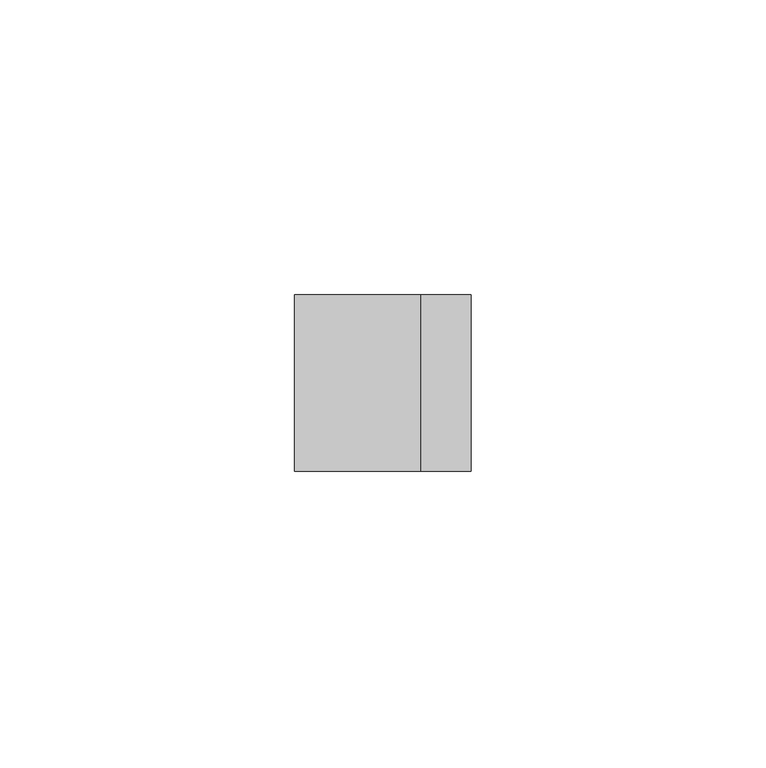
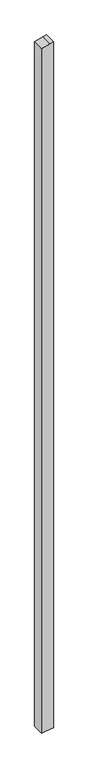
"""IFC4 building model written with IfcOpenShell, lengths in millimetres: member geometry."""

import ifcopenshell
import ifcopenshell.guid

model = None  # the IFC model being written
_history = None  # IfcOwnerHistory: only IFC2X3 demands one
_inside = {}  # id of a spatial element -> (the spatial element, [elements in it])
_under = {}  # id of a project, library or spatial element -> (it, [spatial elements below it])
_declared = {}  # id of a project -> (the project, [libraries it declares])
_typed = {}  # id of a type object -> (the type object, [elements of that type])
_made_of = {}  # id of a material, layer set ... -> (it, [elements and type objects made of it])


def new_model(schema):
    """Start an empty IFC model of exactly this schema.

    Asked for "IFC4X3", IfcOpenShell would pick the latest addendum, in which some entities
    have other attributes; the version numbers below select the first issue.
    IFC2X3 requires an IfcOwnerHistory on every rooted entity: one is made here for all.
    """
    global model, _history
    if schema == "IFC4X3":
        model = ifcopenshell.file(schema_version=(4, 3, 0, 0))
    else:
        model = ifcopenshell.file(schema=schema)
    _inside.clear()
    _under.clear()
    _declared.clear()
    _typed.clear()
    _made_of.clear()
    _history = None
    if model.schema == "IFC2X3":
        org = make("IfcOrganization", Name="unknown")
        user = make(
            "IfcPersonAndOrganization",
            ThePerson=make("IfcPerson", FamilyName="unknown"),
            TheOrganization=org,
        )
        app = make(
            "IfcApplication",
            ApplicationDeveloper=org,
            Version="unknown",
            ApplicationFullName="unknown",
            ApplicationIdentifier="unknown",
        )
        _history = make(
            "IfcOwnerHistory",
            OwningUser=user,
            OwningApplication=app,
            ChangeAction="ADDED",
            CreationDate=0,
        )
    return model


def make(cls, **values):
    """One entity of the class cls with the attributes given. An attribute that is None is left unset."""
    return model.create_entity(
        cls, **{name: value for name, value in values.items() if value is not None}
    )


def rooted(cls, **values):
    """An entity with a GlobalId (a new one), such as an element, a storey or a relation."""
    return make(cls, GlobalId=ifcopenshell.guid.new(), OwnerHistory=_history, **values)


def si_unit(unit_type, name, prefix=None):
    """IfcSIUnit, for example si_unit("LENGTHUNIT", "METRE", prefix="MILLI")."""
    return make("IfcSIUnit", UnitType=unit_type, Prefix=prefix, Name=name)


def assignment(units):
    """IfcUnitAssignment: the units of a project."""
    return None if units is None else make("IfcUnitAssignment", Units=units)


def point(xyz):
    """IfcCartesianPoint."""
    return None if xyz is None else make("IfcCartesianPoint", Coordinates=xyz)


def direction(xyz):
    """IfcDirection."""
    return None if xyz is None else make("IfcDirection", DirectionRatios=xyz)


def frame(location, z_axis=None, x_axis=None):
    """IfcAxis2Placement3D, a coordinate frame: its origin and axes. An axis left out is left unset."""
    return make(
        "IfcAxis2Placement3D",
        Location=point(location),
        Axis=direction(z_axis),
        RefDirection=direction(x_axis),
    )


def origin():
    """The frame at (0, 0, 0) with its axes left unset."""
    return frame((0.0, 0.0, 0.0))


def place(relative_to, where):
    """IfcLocalPlacement: puts the frame where relative to a parent placement (None: the world)."""
    return make(
        "IfcLocalPlacement", PlacementRelTo=relative_to, RelativePlacement=where
    )


def context(
    kind, dimensions, precision=None, world=None, true_north=None, identifier=None
):
    """IfcGeometricRepresentationContext, for example the 3D "Model" context."""
    return make(
        "IfcGeometricRepresentationContext",
        ContextIdentifier=identifier,
        ContextType=kind,
        CoordinateSpaceDimension=dimensions,
        Precision=precision,
        WorldCoordinateSystem=world,
        TrueNorth=true_north,
    )


def project(units=None, contexts=None):
    """IfcProject with its units and contexts."""
    return rooted(
        "IfcProject",
        Name="project",
        RepresentationContexts=contexts,
        UnitsInContext=assignment(units),
    )


def spatial(cls, under=None, at=None, **own):
    """A site, building, storey or space (cls), placed at a placement, below another one or the project."""
    s = rooted(cls, ObjectPlacement=at, **own)
    if under is not None:
        _under.setdefault(under.id(), (under, []))[1].append(s)
    return s


def polyline(points):
    """IfcPolyline through the points."""
    return make("IfcPolyline", Points=[point(p) for p in points])


def outline(outer, holes=None, kind="AREA"):
    """IfcArbitraryClosedProfileDef: a profile drawn as a closed curve; with holes, ...WithVoids."""
    if holes is None:
        return make("IfcArbitraryClosedProfileDef", ProfileType=kind, OuterCurve=outer)
    return make(
        "IfcArbitraryProfileDefWithVoids",
        ProfileType=kind,
        OuterCurve=outer,
        InnerCurves=holes,
    )


def extrude(swept, where, along, depth):
    """IfcExtrudedAreaSolid: the profile swept, set in the frame where, extruded along a direction by depth."""
    return make(
        "IfcExtrudedAreaSolid",
        SweptArea=swept,
        Position=where,
        ExtrudedDirection=direction(along),
        Depth=depth,
    )


def shape(context_of_items, identifier, shape_type, items):
    """IfcShapeRepresentation: the items that make up one representation, for example the "Body"."""
    return make(
        "IfcShapeRepresentation",
        ContextOfItems=context_of_items,
        RepresentationIdentifier=identifier,
        RepresentationType=shape_type,
        Items=items,
    )


def source(mapping_origin, context_of_items, identifier, shape_type, items):
    """IfcRepresentationMap: a shape defined once, which mapped items show again and again."""
    return make(
        "IfcRepresentationMap",
        MappingOrigin=mapping_origin,
        MappedRepresentation=shape(context_of_items, identifier, shape_type, items),
    )


def transform(
    local_origin,
    x_axis=None,
    y_axis=None,
    z_axis=None,
    scale=None,
    scale2=None,
    scale3=None,
    uniform=True,
):
    """IfcCartesianTransformationOperator3D, or its non-uniform kind. x_axis, y_axis, z_axis: its Axis1, 2, 3."""
    if uniform:
        return make(
            "IfcCartesianTransformationOperator3D",
            Axis1=direction(x_axis),
            Axis2=direction(y_axis),
            LocalOrigin=point(local_origin),
            Scale=scale,
            Axis3=direction(z_axis),
        )
    return make(
        "IfcCartesianTransformationOperator3DnonUniform",
        Axis1=direction(x_axis),
        Axis2=direction(y_axis),
        LocalOrigin=point(local_origin),
        Scale=scale,
        Axis3=direction(z_axis),
        Scale2=scale2,
        Scale3=scale3,
    )


def mapped(mapping_source, mapping_target):
    """IfcMappedItem: shows the shape of a source again, moved by a transform."""
    return make(
        "IfcMappedItem", MappingSource=mapping_source, MappingTarget=mapping_target
    )


def made_of(thing, what):
    """Note that an element or type object is made of a material, layer set ...; save() writes the relation."""
    if what is not None:
        _made_of.setdefault(what.id(), (what, []))[1].append(thing)
    return thing


def element(
    cls,
    number,
    at=None,
    inside=None,
    cuts=None,
    type_object=None,
    material=None,
    context=None,
    identifier="Body",
    shape_type=None,
    held_by="IfcProductDefinitionShape",
    body=None,
    shapes=None,
    **own,
):
    """One element of the class cls, such as IfcWall. Its Tag is "e" and its number.

    at: its placement. inside: the storey or other place that contains it. cuts: it is an
    opening in that element (IfcRelVoidsElement). A single representation is given by context,
    identifier, shape_type and body (its items); several are given by shapes. held_by: the class
    of the entity that holds the representations. save() writes the other relations.
    """
    e = rooted(cls, Tag="e%d" % number, ObjectPlacement=at, **own)
    if body is not None:
        shapes = [shape(context, identifier, shape_type, body)]
    if shapes is not None:
        e.Representation = make(held_by, Representations=shapes)
    if inside is not None:
        _inside.setdefault(inside.id(), (inside, []))[1].append(e)
    if cuts is not None:
        rooted(
            "IfcRelVoidsElement", RelatingBuildingElement=cuts, RelatedOpeningElement=e
        )
    if type_object is not None:
        _typed.setdefault(type_object.id(), (type_object, []))[1].append(e)
    return made_of(e, material)


def aggregate(whole, parts):
    """IfcRelAggregates: a whole, such as a stair, and the parts it consists of."""
    return rooted("IfcRelAggregates", RelatingObject=whole, RelatedObjects=parts)


def save(model, path):
    """Write the relations noted so far, then the file.

    IfcRelAggregates (storeys below a building ...), IfcRelContainedInSpatialStructure (elements
    in a storey), IfcRelDefinesByType, IfcRelAssociatesMaterial and IfcRelDeclares: one each for
    every whole, place, type object, material and project.
    """
    for whole, parts in _under.values():
        aggregate(whole, parts)
    for where, things in _inside.values():
        rooted(
            "IfcRelContainedInSpatialStructure",
            RelatedElements=things,
            RelatingStructure=where,
        )
    for kind, things in _typed.values():
        rooted("IfcRelDefinesByType", RelatedObjects=things, RelatingType=kind)
    for what, things in _made_of.values():
        rooted("IfcRelAssociatesMaterial", RelatedObjects=things, RelatingMaterial=what)
    for by, libraries in _declared.values():
        rooted("IfcRelDeclares", RelatingContext=by, RelatedDefinitions=libraries)
    model.write(path)


def member_e9872da4(model_context):
    return source(origin(), model_context, "Body", "SweptSolid", [
        extrude(outline(polyline([(3.1373334, 15.0), (0.8518543, 6.4704761), (-4.9011424, -15.0), (-1840.5684523, -15.0), (-1839.4452278, -6.7259094), (-1836.4958917, 15.0), (3.1373334, 15.0)])), frame((0.0, -15.0, 0.0), z_axis=(0.0, 1.0, 0.0), x_axis=(0.0, 0.0, 1.0)), (0.0, 0.0, 1.0), 30.0),
    ])


if __name__ == "__main__":
    model = new_model("IFC4")
    model_context = context("Model", 3, world=origin())
    ifc_project = project(units=[si_unit("LENGTHUNIT", "METRE", prefix="MILLI")], contexts=[model_context])
    site = spatial("IfcSite", under=ifc_project)
    building = spatial("IfcBuilding", under=site)
    placement = place(None, origin())
    member_shape = member_e9872da4(model_context)
    element("IfcMember", 1, at=placement, inside=building, context=model_context, shape_type="MappedRepresentation", body=[
        mapped(member_shape, transform((0.0, 0.0, 0.0), x_axis=(1.0, 0.0, 0.0), y_axis=(0.0, 1.0, 0.0), z_axis=(0.0, 0.0, 1.0))),
    ])
    save(model, "model.ifc")
